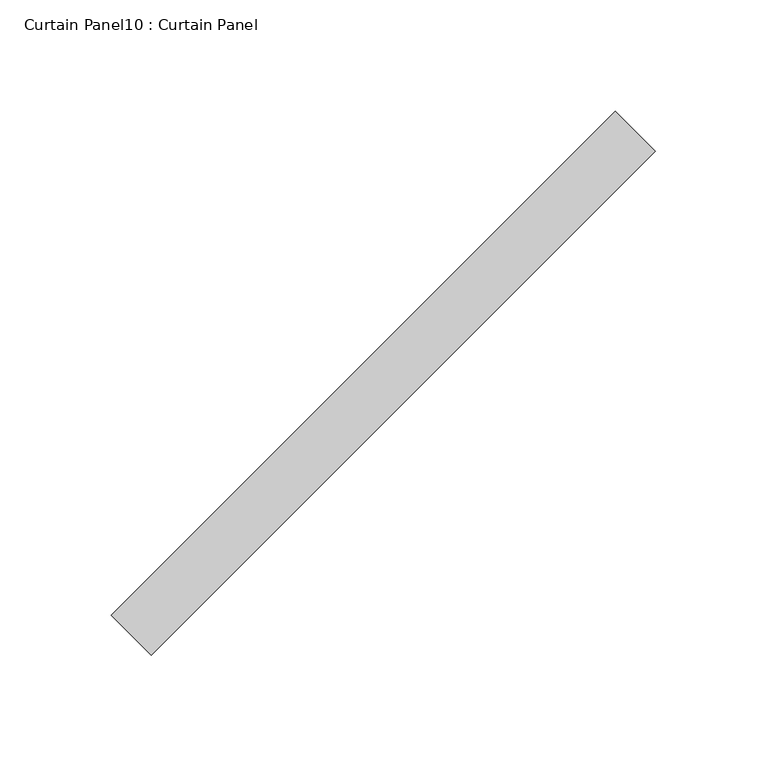
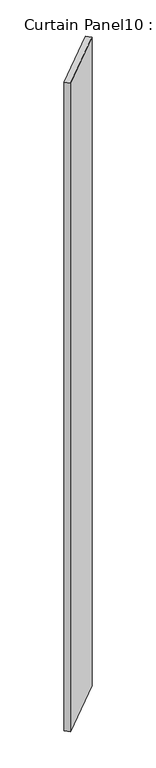
"""IFC4 building model written with IfcOpenShell, lengths in millimetres: plate geometry, Curtain Panel10 : Curtain Panel."""

from ifc_helpers import new_model, si_unit, frame, origin, place, context, project, spatial, polyline, outline, extrude, source, transform, mapped, element, save


def curtain_panel10_curtain_panel_6a30198a(model_context):
    return source(origin(), model_context, "Body", "SweptSolid", [
        extrude(outline(polyline([(3211.7661852, 2124.0789162), (2985.4477065, 1897.7604375), (2967.4871943, 1915.7209498), (3193.8056729, 2142.0394284), (3211.7661852, 2124.0789162)])), frame((0.0, 0.0, -655.9548836), z_axis=(0.0, 0.0, 1.0), x_axis=(1.0, 0.0, 0.0)), (0.0, 0.0, 1.0), 3048.0),
    ])


if __name__ == "__main__":
    model = new_model("IFC4")
    model_context = context("Model", 3, world=origin())
    ifc_project = project(units=[si_unit("LENGTHUNIT", "METRE", prefix="MILLI")], contexts=[model_context])
    site = spatial("IfcSite", under=ifc_project)
    building = spatial("IfcBuilding", under=site)
    placement = place(None, origin())
    curtain_panel10_curtain_panel_shape = curtain_panel10_curtain_panel_6a30198a(model_context)
    element("IfcPlate", 1, ObjectType="Curtain Panel10 : Curtain Panel", at=placement, inside=building, context=model_context, shape_type="MappedRepresentation", body=[
        mapped(curtain_panel10_curtain_panel_shape, transform((0.0, 0.0, 0.0), x_axis=(1.0, 0.0, 0.0), y_axis=(0.0, 1.0, 0.0), z_axis=(0.0, 0.0, 1.0))),
    ])
    save(model, "model.ifc")
